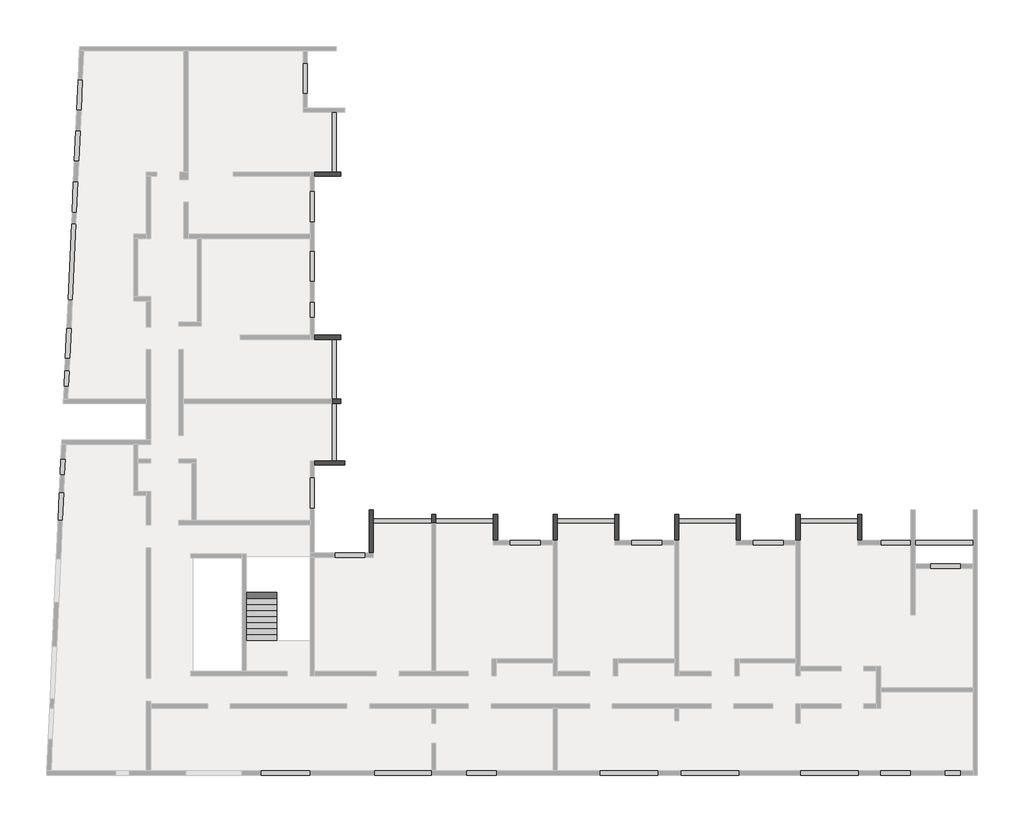
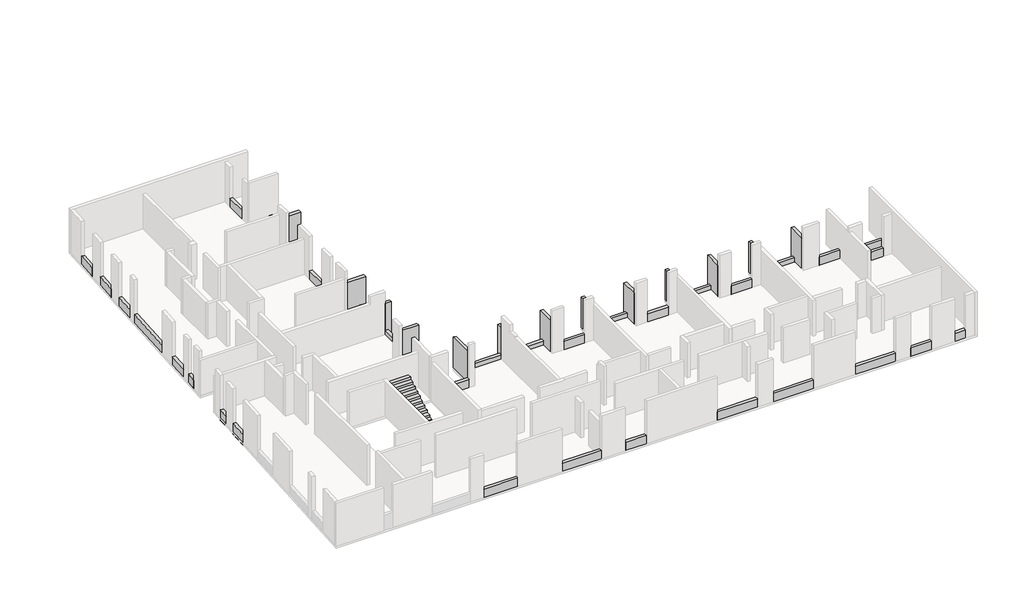
# One storey, part 4 of 4: 49 beams, 1 stair flight.
"""IFC4 building model written with IfcOpenShell, lengths in millimetres."""

from ifc_helpers import new_model, si_unit, frame, origin, place, context, project, spatial, polyline, outline, extrude, faceted_brep, element, save

model = new_model("IFC4")

# Units and contexts
model_context = context("Model", 3, world=origin())
ifc_project = project(units=[si_unit("LENGTHUNIT", "METRE", prefix="MILLI")], contexts=[model_context])

# Site, building, storey
site = spatial("IfcSite", under=ifc_project)
building = spatial("IfcBuilding", under=site)
storey = spatial("IfcBuildingStorey", under=building, Elevation=19880.0)

# Beams
placement = place(None, origin())
element("IfcBeam", 1, ObjectType="VI. 20/238", at=placement, inside=storey, context=model_context, shape_type="Brep", body=[
    faceted_brep([(-3415.6912908, -5419.0672499, 22110.0), (-3615.6912908, -5419.0672499, 22110.0), (-3615.6912908, -5419.0672499, 19880.0), (-3415.6912908, -5419.0672499, 19880.0), (-3615.6912908, -4199.0672499, 22110.0), (-3415.6912908, -4199.0672499, 22110.0), (-3415.6912908, -4199.0672499, 19880.0), (-3615.6912908, -4199.0672499, 19880.0), (-3615.6912908, -4399.0672499, 19880.0), (-3615.6912908, -4399.0672499, 20180.0), (-3615.6912908, -4599.0672499, 20180.0), (-3615.6912908, -4599.0672499, 19880.0), (-3585.6912908, -4599.0672499, 20180.0), (-3585.6912908, -4399.0672499, 20180.0), (-3585.6912908, -4399.0672499, 19880.0), (-3585.6912908, -4599.0672499, 19880.0)], [[[0, 1, 2, 3]], [[4, 5, 6, 7]], [[1, 4, 7, 8, 9, 10, 11, 2]], [[5, 0, 3, 6]], [[1, 0, 5, 4]], [[12, 13, 14, 15]], [[10, 12, 15, 11]], [[13, 12, 10, 9]], [[13, 9, 8, 14]], [[3, 2, 11, 15, 14, 8, 7, 6]]]),
])
element("IfcBeam", 2, ObjectType="VI. 20/238", at=placement, inside=storey, context=model_context, shape_type="Brep", body=[
    faceted_brep([(-9105.6912908, -5419.0672499, 22110.0), (-9305.6912908, -5419.0672499, 22110.0), (-9305.6912908, -5419.0672499, 19880.0), (-9105.6912908, -5419.0672499, 19880.0), (-9305.6912908, -4199.0672499, 22110.0), (-9105.6912908, -4199.0672499, 22110.0), (-9105.6912908, -4199.0672499, 19880.0), (-9305.6912908, -4199.0672499, 19880.0), (-9305.6912908, -4399.0672499, 19880.0), (-9305.6912908, -4599.0672499, 19880.0)], [[[0, 1, 2, 3]], [[4, 5, 6, 7]], [[1, 4, 7, 8, 9, 2]], [[5, 0, 3, 6]], [[1, 0, 5, 4]], [[3, 2, 9, 8, 7, 6]]]),
])
element("IfcBeam", 3, ObjectType="VI. 20/238", at=placement, inside=storey, context=model_context, shape_type="Brep", body=[
    faceted_brep([(-20485.6912908, -5419.0672499, 22110.0), (-20685.6912908, -5419.0672499, 22110.0), (-20685.6912908, -5419.0672499, 19880.0), (-20485.6912908, -5419.0672499, 19880.0), (-20685.6912908, -4199.0672499, 22110.0), (-20485.6912908, -4199.0672499, 22110.0), (-20485.6912908, -4199.0672499, 19880.0), (-20685.6912908, -4199.0672499, 19880.0), (-20685.6912908, -4399.0672499, 19880.0), (-20685.6912908, -4399.0672499, 20180.0), (-20685.6912908, -4599.0672499, 20180.0), (-20685.6912908, -4599.0672499, 19880.0), (-20655.6912908, -4599.0672499, 20180.0), (-20655.6912908, -4399.0672499, 20180.0), (-20655.6912908, -4399.0672499, 19880.0), (-20655.6912908, -4599.0672499, 19880.0)], [[[0, 1, 2, 3]], [[4, 5, 6, 7]], [[1, 4, 7, 8, 9, 10, 11, 2]], [[5, 0, 3, 6]], [[1, 0, 5, 4]], [[12, 13, 14, 15]], [[10, 12, 15, 11]], [[13, 12, 10, 9]], [[13, 9, 8, 14]], [[3, 2, 11, 15, 14, 8, 7, 6]]]),
])
element("IfcBeam", 4, ObjectType="VI. 20/238", at=placement, inside=storey, context=model_context, shape_type="Brep", body=[
    faceted_brep([(-26495.6912908, -3999.0672499, 22110.0), (-26295.6912908, -3999.0672499, 22110.0), (-26295.6912908, -3999.0672499, 19880.0), (-26495.6912908, -3999.0672499, 19880.0), (-26295.6912908, -6004.0672499, 22110.0), (-26495.6912908, -6004.0672499, 22110.0), (-26495.6912908, -6004.0672499, 19880.0), (-26295.6912908, -6004.0672499, 19880.0), (-26295.6912908, -4599.0672499, 19880.0), (-26295.6912908, -4399.0672499, 19880.0)], [[[0, 1, 2, 3]], [[4, 5, 6, 7]], [[1, 4, 7, 8, 9, 2]], [[5, 0, 3, 6]], [[1, 0, 5, 4]], [[3, 2, 9, 8, 7, 6]]]),
])
element("IfcBeam", 5, ObjectType="VI. 20/238", at=placement, inside=storey, context=model_context, shape_type="Brep", body=[
    faceted_brep([(-14995.6912908, -4199.0672499, 22110.0), (-14795.6912908, -4199.0672499, 22110.0), (-14795.6912908, -4199.0672499, 19880.0), (-14995.6912908, -4199.0672499, 19880.0), (-14795.6912908, -5419.0672499, 22110.0), (-14995.6912908, -5419.0672499, 22110.0), (-14995.6912908, -5419.0672499, 19880.0), (-14795.6912908, -5419.0672499, 19880.0), (-14995.6912908, -4399.0672499, 19880.0), (-14995.6912908, -4399.0672499, 20180.0), (-14995.6912908, -4599.0672499, 20180.0), (-14995.6912908, -4599.0672499, 19880.0), (-14965.6912908, -4599.0672499, 20180.0), (-14965.6912908, -4399.0672499, 20180.0), (-14965.6912908, -4399.0672499, 19880.0), (-14965.6912908, -4599.0672499, 19880.0)], [[[0, 1, 2, 3]], [[4, 5, 6, 7]], [[1, 4, 7, 2]], [[5, 0, 3, 8, 9, 10, 11, 6]], [[1, 0, 5, 4]], [[12, 13, 14, 15]], [[10, 12, 15, 11]], [[13, 12, 10, 9]], [[13, 9, 8, 14]], [[3, 2, 7, 6, 11, 15, 14, 8]]]),
])
element("IfcBeam", 6, ObjectType="VI. 20/238", at=placement, inside=storey, context=model_context, shape_type="Brep", body=[
    faceted_brep([(-27835.6912908, 4200.9327501, 22110.0), (-27835.6912908, 4000.9327501, 22110.0), (-27835.6912908, 4000.9327501, 19880.0), (-27835.6912908, 4200.9327501, 19880.0), (-29065.6912908, 4000.9327501, 22110.0), (-29065.6912908, 4200.9327501, 22110.0), (-29065.6912908, 4200.9327501, 19880.0), (-29065.6912908, 4000.9327501, 19880.0), (-28235.6912908, 4000.9327501, 19880.0), (-28035.6912908, 4000.9327501, 19880.0)], [[[0, 1, 2, 3]], [[4, 5, 6, 7]], [[1, 4, 7, 8, 9, 2]], [[5, 0, 3, 6]], [[1, 0, 5, 4]], [[3, 2, 9, 8, 7, 6]]]),
])
element("IfcBeam", 7, ObjectType="VI. 20/238", at=placement, inside=storey, context=model_context, shape_type="Brep", body=[
    faceted_brep([(-27635.6912908, -1689.5482142, 22110.0), (-27635.6912908, -1889.5482142, 22110.0), (-27635.6912908, -1889.5482142, 19880.0), (-27635.6912908, -1689.5482142, 19880.0), (-29065.6912908, -1889.5482142, 22110.0), (-29065.6912908, -1689.5482142, 22110.0), (-29065.6912908, -1689.5482142, 19880.0), (-29065.6912908, -1889.5482142, 19880.0), (-28035.6912908, -1689.5482142, 19880.0), (-28235.6912908, -1689.5482142, 19880.0)], [[[0, 1, 2, 3]], [[4, 5, 6, 7]], [[5, 0, 3, 8, 9, 6]], [[1, 4, 7, 2]], [[1, 0, 5, 4]], [[3, 2, 7, 6, 9, 8]]]),
])
element("IfcBeam", 8, ObjectType="VI. 20/238", at=placement, inside=storey, context=model_context, shape_type="Brep", body=[
    faceted_brep([(-27835.6912908, 11850.9327501, 22110.0), (-27835.6912908, 11650.9327501, 22110.0), (-27835.6912908, 11650.9327501, 19880.0), (-27835.6912908, 11850.9327501, 19880.0), (-29065.6912908, 11650.9327501, 22110.0), (-29065.6912908, 11850.9327501, 22110.0), (-29065.6912908, 11850.9327501, 19880.0), (-29065.6912908, 11650.9327501, 19880.0), (-28035.6912908, 11850.9327501, 19880.0), (-28235.6912908, 11850.9327501, 19880.0)], [[[0, 1, 2, 3]], [[4, 5, 6, 7]], [[1, 4, 7, 2]], [[5, 0, 3, 8, 9, 6]], [[1, 0, 5, 4]], [[3, 2, 7, 6, 9, 8]]]),
])
element("IfcBeam", 9, ObjectType="VI. 20/238", at=placement, inside=storey, context=model_context, shape_type="Brep", body=[
    faceted_brep([(-27835.6912908, 1200.9327501, 22110.0), (-27835.6912908, 1000.9327501, 22110.0), (-27835.6912908, 1000.9327501, 19880.0), (-27835.6912908, 1200.9327501, 19880.0), (-28235.6912908, 1000.9327501, 22110.0), (-28235.6912908, 1200.9327501, 22110.0), (-28235.6912908, 1200.9327501, 19880.0), (-28235.6912908, 1000.9327501, 19880.0), (-28235.6912908, 1000.9327501, 20180.0), (-28035.6912908, 1200.9327501, 19880.0), (-28035.6912908, 1000.9327501, 19880.0)], [[[0, 1, 2, 3]], [[4, 5, 6, 7, 8]], [[5, 0, 3, 9, 6]], [[1, 4, 8, 7, 10, 2]], [[1, 0, 5, 4]], [[3, 2, 10, 7, 6, 9]]]),
])
element("IfcBeam", 10, ObjectType="VI. 20/238", at=placement, inside=storey, context=model_context, shape_type="Brep", body=[
    faceted_brep([(-23375.6912908, -4599.0672499, 22110.0), (-23575.6912908, -4599.0672499, 22110.0), (-23575.6912908, -4599.0672499, 19880.0), (-23375.6912908, -4599.0672499, 19880.0), (-23575.6912908, -4199.0672499, 22110.0), (-23375.6912908, -4199.0672499, 22110.0), (-23375.6912908, -4199.0672499, 19880.0), (-23575.6912908, -4199.0672499, 19880.0), (-23575.6912908, -4399.0672499, 19880.0), (-23375.6912908, -4399.0672499, 19880.0)], [[[0, 1, 2, 3]], [[4, 5, 6, 7]], [[1, 4, 7, 8, 2]], [[5, 0, 3, 9, 6]], [[1, 0, 5, 4]], [[3, 2, 8, 7, 6, 9]]]),
])
element("IfcBeam", 11, ObjectType="VI. 20/238", at=placement, inside=storey, context=model_context, shape_type="Brep", body=[
    faceted_brep([(-6305.6912908, -5419.0672499, 22110.0), (-6505.6912908, -5419.0672499, 22110.0), (-6505.6912908, -5419.0672499, 19880.0), (-6305.6912908, -5419.0672499, 19880.0), (-6505.6912908, -4199.0672499, 22110.0), (-6305.6912908, -4199.0672499, 22110.0), (-6305.6912908, -4199.0672499, 19880.0), (-6505.6912908, -4199.0672499, 19880.0), (-6305.6912908, -4399.0672499, 19880.0)], [[[0, 1, 2, 3]], [[4, 5, 6, 7]], [[1, 4, 7, 2]], [[5, 0, 3, 8, 6]], [[1, 0, 5, 4]], [[3, 2, 7, 6, 8]]]),
])
element("IfcBeam", 12, ObjectType="VI. 20/238", at=placement, inside=storey, context=model_context, shape_type="Brep", body=[
    faceted_brep([(-11995.6912908, -5419.0672499, 22110.0), (-12195.6912908, -5419.0672499, 22110.0), (-12195.6912908, -5419.0672499, 19880.0), (-11995.6912908, -5419.0672499, 19880.0), (-12195.6912908, -4199.0672499, 22110.0), (-11995.6912908, -4199.0672499, 22110.0), (-11995.6912908, -4199.0672499, 19880.0), (-12195.6912908, -4199.0672499, 19880.0), (-11995.6912908, -4399.0672499, 19880.0)], [[[0, 1, 2, 3]], [[4, 5, 6, 7]], [[1, 4, 7, 2]], [[5, 0, 3, 8, 6]], [[1, 0, 5, 4]], [[3, 2, 7, 6, 8]]]),
])
element("IfcBeam", 13, ObjectType="VI. 20/238", at=placement, inside=storey, context=model_context, shape_type="Brep", body=[
    faceted_brep([(-17885.6912908, -4199.0672499, 22110.0), (-17685.6912908, -4199.0672499, 22110.0), (-17685.6912908, -4199.0672499, 19880.0), (-17885.6912908, -4199.0672499, 19880.0), (-17685.6912908, -5419.0672499, 22110.0), (-17885.6912908, -5419.0672499, 22110.0), (-17885.6912908, -5419.0672499, 19880.0), (-17685.6912908, -5419.0672499, 19880.0), (-17685.6912908, -4399.0672499, 19880.0)], [[[0, 1, 2, 3]], [[4, 5, 6, 7]], [[1, 4, 7, 8, 2]], [[5, 0, 3, 6]], [[1, 0, 5, 4]], [[3, 2, 8, 7, 6]]]),
])
element("IfcBeam", 14, ObjectType="VI. 20/45", at=placement, inside=storey, context=model_context, shape_type="Brep", body=[
    faceted_brep([(-3585.6912908, -4399.0672499, 20180.0), (-3585.6912908, -4599.0672499, 20180.0), (-3585.6912908, -4599.0672499, 19880.0), (-3585.6912908, -4399.0672499, 19880.0), (-6305.6912908, -4599.0672499, 20180.0), (-6305.6912908, -4399.0672499, 20180.0), (-6305.6912908, -4399.0672499, 19880.0), (-6305.6912908, -4599.0672499, 19880.0), (-3615.6912908, -4599.0672499, 20180.0), (-3615.6912908, -4599.0672499, 19880.0), (-3615.6912908, -4399.0672499, 20180.0), (-3615.6912908, -4399.0672499, 19880.0)], [[[0, 1, 2, 3]], [[4, 5, 6, 7]], [[1, 8, 4, 7, 9, 2]], [[5, 10, 0, 3, 11, 6]], [[1, 0, 10, 5, 4, 8]], [[3, 2, 9, 7, 6, 11]]]),
])
element("IfcBeam", 15, ObjectType="VI. 20/45", at=placement, inside=storey, context=model_context, shape_type="SweptSolid", body=[
    extrude(outline(polyline([(-9305.6912908, -4399.0672499), (-9305.6912908, -4599.0672499), (-11995.6912908, -4599.0672499), (-11995.6912908, -4399.0672499), (-9305.6912908, -4399.0672499)])), frame((0.0, 0.0, 19880.0), z_axis=(0.0, 0.0, 1.0), x_axis=(1.0, 0.0, 0.0)), (0.0, 0.0, 1.0), 300.0),
])
element("IfcBeam", 16, ObjectType="VI. 20/45", at=placement, inside=storey, context=model_context, shape_type="Brep", body=[
    faceted_brep([(-14965.6912908, -4399.0672499, 20180.0), (-14965.6912908, -4599.0672499, 20180.0), (-14965.6912908, -4599.0672499, 19880.0), (-14965.6912908, -4399.0672499, 19880.0), (-17685.6912908, -4599.0672499, 20180.0), (-17685.6912908, -4399.0672499, 20180.0), (-17685.6912908, -4399.0672499, 19880.0), (-17685.6912908, -4599.0672499, 19880.0), (-14995.6912908, -4599.0672499, 20180.0), (-14995.6912908, -4599.0672499, 19880.0), (-14995.6912908, -4399.0672499, 20180.0), (-14995.6912908, -4399.0672499, 19880.0)], [[[0, 1, 2, 3]], [[4, 5, 6, 7]], [[1, 8, 4, 7, 9, 2]], [[5, 10, 0, 3, 11, 6]], [[1, 0, 10, 5, 4, 8]], [[3, 2, 9, 7, 6, 11]]]),
])
element("IfcBeam", 17, ObjectType="VI. 20/45", at=placement, inside=storey, context=model_context, shape_type="Brep", body=[
    faceted_brep([(-20655.6912908, -4399.0672499, 20180.0), (-20655.6912908, -4599.0672499, 20180.0), (-20655.6912908, -4599.0672499, 19880.0), (-20655.6912908, -4399.0672499, 19880.0), (-23375.6912908, -4599.0672499, 20180.0), (-23375.6912908, -4399.0672499, 20180.0), (-23375.6912908, -4399.0672499, 19880.0), (-23375.6912908, -4599.0672499, 19880.0), (-20685.6912908, -4599.0672499, 20180.0), (-20685.6912908, -4599.0672499, 19880.0), (-20685.6912908, -4399.0672499, 20180.0), (-20685.6912908, -4399.0672499, 19880.0)], [[[0, 1, 2, 3]], [[4, 5, 6, 7]], [[1, 8, 4, 7, 9, 2]], [[5, 10, 0, 3, 11, 6]], [[1, 0, 10, 5, 4, 8]], [[3, 2, 9, 7, 6, 11]]]),
])
element("IfcBeam", 18, ObjectType="VI. 20/45", at=placement, inside=storey, context=model_context, shape_type="SweptSolid", body=[
    extrude(outline(polyline([(-23575.6912908, -4399.0672499), (-23575.6912908, -4599.0672499), (-26295.6912908, -4599.0672499), (-26295.6912908, -4399.0672499), (-23575.6912908, -4399.0672499)])), frame((0.0, 0.0, 19880.0), z_axis=(0.0, 0.0, 1.0), x_axis=(1.0, 0.0, 0.0)), (0.0, 0.0, 1.0), 300.0),
])
element("IfcBeam", 19, ObjectType="VI. 20/45", at=placement, inside=storey, context=model_context, shape_type="SweptSolid", body=[
    extrude(outline(polyline([(-28235.6912908, 14650.9327501), (-28035.6912908, 14650.9327501), (-28035.6912908, 11850.9327501), (-28235.6912908, 11850.9327501), (-28235.6912908, 14650.9327501)])), frame((0.0, 0.0, 19880.0), z_axis=(0.0, 0.0, 1.0), x_axis=(1.0, 0.0, 0.0)), (0.0, 0.0, 1.0), 300.0),
])
element("IfcBeam", 20, ObjectType="VI. 20/45", at=placement, inside=storey, context=model_context, shape_type="SweptSolid", body=[
    extrude(outline(polyline([(-28235.6912908, 4000.9327501), (-28035.6912908, 4000.9327501), (-28035.6912908, 1200.9327501), (-28235.6912908, 1200.9327501), (-28235.6912908, 4000.9327501)])), frame((0.0, 0.0, 19880.0), z_axis=(0.0, 0.0, 1.0), x_axis=(1.0, 0.0, 0.0)), (0.0, 0.0, 1.0), 300.0),
])
element("IfcBeam", 21, ObjectType="VI. 20/45", at=placement, inside=storey, context=model_context, shape_type="SweptSolid", body=[
    extrude(outline(polyline([(-28235.6912908, 1000.9327501), (-28035.6912908, 1000.9327501), (-28035.6912908, -1689.5482142), (-28235.6912908, -1689.5482142), (-28235.6912908, 1000.9327501)])), frame((0.0, 0.0, 19880.0), z_axis=(0.0, 0.0, 1.0), x_axis=(1.0, 0.0, 0.0)), (0.0, 0.0, 1.0), 300.0),
])
element("IfcBeam", 22, ObjectType="VI. 20/47", at=placement, inside=storey, context=model_context, shape_type="Brep", body=[
    faceted_brep([(1794.3087092, -5619.0672499, 20200.0), (1794.3087092, -5619.0672499, 19730.0), (1794.3087092, -5419.0672499, 19730.0), (1794.3087092, -5419.0672499, 20200.0), (-925.6912908, -5619.0672499, 20200.0), (-925.6912908, -5419.0672499, 20200.0), (-925.6912908, -5419.0672499, 19880.0), (-925.6912908, -5419.0672499, 19730.0), (-925.6912908, -5619.0672499, 19730.0), (-925.6912908, -5619.0672499, 19880.0)], [[[0, 1, 2, 3]], [[4, 5, 6, 7, 8, 9]], [[1, 0, 4, 9, 8]], [[2, 1, 8, 7]], [[3, 2, 7, 6, 5]], [[0, 3, 5, 4]]]),
])
element("IfcBeam", 23, ObjectType="VI. 20/75", at=placement, inside=storey, context=model_context, shape_type="SweptSolid", body=[
    extrude(outline(polyline([(1189.3087092, -6519.0672499), (1189.3087092, -6719.0672499), (-200.6912908, -6719.0672499), (-200.6912908, -6519.0672499), (1189.3087092, -6519.0672499)])), frame((0.0, 0.0, 19880.0), z_axis=(0.0, 0.0, 1.0), x_axis=(1.0, 0.0, 0.0)), (0.0, 0.0, 1.0), 600.0),
])
element("IfcBeam", 24, ObjectType="VI. 20/75", at=placement, inside=storey, context=model_context, shape_type="SweptSolid", body=[
    extrude(outline(polyline([(-1125.6912908, -5419.0672499), (-1125.6912908, -5619.0672499), (-2545.6912908, -5619.0672499), (-2545.6912908, -5419.0672499), (-1125.6912908, -5419.0672499)])), frame((0.0, 0.0, 19880.0), z_axis=(0.0, 0.0, 1.0), x_axis=(1.0, 0.0, 0.0)), (0.0, 0.0, 1.0), 600.0),
])
element("IfcBeam", 25, ObjectType="VI. 20/75", at=placement, inside=storey, context=model_context, shape_type="SweptSolid", body=[
    extrude(outline(polyline([(-7085.6912908, -5419.0672499), (-7085.6912908, -5619.0672499), (-8525.6912908, -5619.0672499), (-8525.6912908, -5419.0672499), (-7085.6912908, -5419.0672499)])), frame((0.0, 0.0, 19880.0), z_axis=(0.0, 0.0, 1.0), x_axis=(1.0, 0.0, 0.0)), (0.0, 0.0, 1.0), 600.0),
])
element("IfcBeam", 26, ObjectType="VI. 20/75", at=placement, inside=storey, context=model_context, shape_type="SweptSolid", body=[
    extrude(outline(polyline([(-29265.6912908, 8150.9327501), (-29065.6912908, 8150.9327501), (-29065.6912908, 6710.9327501), (-29265.6912908, 6710.9327501), (-29265.6912908, 8150.9327501)])), frame((0.0, 0.0, 19880.0), z_axis=(0.0, 0.0, 1.0), x_axis=(1.0, 0.0, 0.0)), (0.0, 0.0, 1.0), 600.0),
])
element("IfcBeam", 27, ObjectType="VI. 20/75", at=placement, inside=storey, context=model_context, shape_type="SweptSolid", body=[
    extrude(outline(polyline([(-29065.6912908, -3909.0672499), (-29265.6912908, -3909.0672499), (-29265.6912908, -2469.0672499), (-29065.6912908, -2469.0672499), (-29065.6912908, -3909.0672499)])), frame((0.0, 0.0, 19880.0), z_axis=(0.0, 0.0, 1.0), x_axis=(1.0, 0.0, 0.0)), (0.0, 0.0, 1.0), 600.0),
])
element("IfcBeam", 28, ObjectType="VI. 20/75", at=placement, inside=storey, context=model_context, shape_type="SweptSolid", body=[
    extrude(outline(polyline([(-12775.6912908, -5419.0672499), (-12775.6912908, -5619.0672499), (-14215.6912908, -5619.0672499), (-14215.6912908, -5419.0672499), (-12775.6912908, -5419.0672499)])), frame((0.0, 0.0, 19880.0), z_axis=(0.0, 0.0, 1.0), x_axis=(1.0, 0.0, 0.0)), (0.0, 0.0, 1.0), 600.0),
])
element("IfcBeam", 29, ObjectType="VI. 20/75", at=placement, inside=storey, context=model_context, shape_type="SweptSolid", body=[
    extrude(outline(polyline([(-18465.6912908, -5419.0672499), (-18465.6912908, -5619.0672499), (-19905.6912908, -5619.0672499), (-19905.6912908, -5419.0672499), (-18465.6912908, -5419.0672499)])), frame((0.0, 0.0, 19880.0), z_axis=(0.0, 0.0, 1.0), x_axis=(1.0, 0.0, 0.0)), (0.0, 0.0, 1.0), 600.0),
])
element("IfcBeam", 30, ObjectType="VI. 20/75", at=placement, inside=storey, context=model_context, shape_type="SweptSolid", body=[
    extrude(outline(polyline([(-26675.6912908, -6004.0672499), (-26675.6912908, -6204.0672499), (-28115.6912908, -6204.0672499), (-28115.6912908, -6004.0672499), (-26675.6912908, -6004.0672499)])), frame((0.0, 0.0, 19880.0), z_axis=(0.0, 0.0, 1.0), x_axis=(1.0, 0.0, 0.0)), (0.0, 0.0, 1.0), 600.0),
])
element("IfcBeam", 31, ObjectType="VI. 20/75", at=placement, inside=storey, context=model_context, shape_type="SweptSolid", body=[
    extrude(outline(polyline([(-29265.6912908, 5760.9327501), (-29065.6912908, 5760.9327501), (-29065.6912908, 5020.9327501), (-29265.6912908, 5020.9327501), (-29265.6912908, 5760.9327501)])), frame((0.0, 0.0, 19880.0), z_axis=(0.0, 0.0, 1.0), x_axis=(1.0, 0.0, 0.0)), (0.0, 0.0, 1.0), 600.0),
])
element("IfcBeam", 32, ObjectType="VI. 20/75", at=placement, inside=storey, context=model_context, shape_type="SweptSolid", body=[
    extrude(outline(polyline([(-29265.6912908, 10925.9327501), (-29065.6912908, 10925.9327501), (-29065.6912908, 9535.9327501), (-29265.6912908, 9535.9327501), (-29265.6912908, 10925.9327501)])), frame((0.0, 0.0, 19880.0), z_axis=(0.0, 0.0, 1.0), x_axis=(1.0, 0.0, 0.0)), (0.0, 0.0, 1.0), 600.0),
])
element("IfcBeam", 33, ObjectType="VI. 20/75", at=placement, inside=storey, context=model_context, shape_type="SweptSolid", body=[
    extrude(outline(polyline([(-29595.6912908, 16950.9327501), (-29395.6912908, 16950.9327501), (-29395.6912908, 15510.9327501), (-29595.6912908, 15510.9327501), (-29595.6912908, 16950.9327501)])), frame((0.0, 0.0, 19880.0), z_axis=(0.0, 0.0, 1.0), x_axis=(1.0, 0.0, 0.0)), (0.0, 0.0, 1.0), 600.0),
])
element("IfcBeam", 34, ObjectType="VI. 20/75", at=placement, inside=storey, context=model_context, shape_type="Brep", body=[
    faceted_brep([(-40807.7955758, -3171.182161, 19730.0), (-41007.5900954, -3162.1185002, 19730.0), (-41007.5900954, -3162.1185002, 19880.0), (-41007.5900954, -3162.1185002, 20480.0), (-40807.7955758, -3171.182161, 20480.0), (-40807.7955758, -3171.182161, 19880.0), (-40867.389146, -4484.8311272, 20480.0), (-41067.1836655, -4475.7674664, 20480.0), (-41067.1836655, -4475.7674664, 19730.0), (-40867.389146, -4484.8311272, 19730.0)], [[[0, 1, 2, 3, 4, 5]], [[6, 7, 8, 9]], [[6, 9, 0, 5, 4]], [[1, 0, 9, 8]], [[8, 7, 3, 2, 1]], [[4, 3, 7, 6]]]),
])
element("IfcBeam", 35, ObjectType="VI. 20/75", at=placement, inside=storey, context=model_context, shape_type="Brep", body=[
    faceted_brep([(-40970.0334959, -2332.9686312, 19730.0), (-40770.2389763, -2342.0322921, 19730.0), (-40770.2389763, -2342.0322921, 19880.0), (-40770.2389763, -2342.0322921, 20480.0), (-40970.0334959, -2332.9686312, 20480.0), (-40970.0334959, -2332.9686312, 19880.0), (-40936.4979507, -1593.7289088, 20480.0), (-40736.7034311, -1602.7925697, 20480.0), (-40736.7034311, -1602.7925697, 19880.0), (-40736.7034311, -1602.7925697, 19730.0), (-40936.4979507, -1593.7289088, 19730.0), (-40936.4979507, -1593.7289088, 19880.0)], [[[0, 1, 2, 3, 4, 5]], [[6, 7, 8, 9, 10, 11]], [[4, 6, 11, 10, 0, 5]], [[1, 0, 10, 9]], [[1, 9, 8, 7, 3, 2]], [[4, 3, 7, 6]]]),
])
element("IfcBeam", 36, ObjectType="VI. 20/75", at=placement, inside=storey, context=model_context, shape_type="SweptSolid", body=[
    extrude(outline(polyline([(-40748.9268523, 2540.9886267), (-40549.1323327, 2531.9249658), (-40582.6678779, 1792.6852434), (-40782.4623975, 1801.7489043), (-40748.9268523, 2540.9886267)])), frame((0.0, 0.0, 19880.0), z_axis=(0.0, 0.0, 1.0), x_axis=(1.0, 0.0, 0.0)), (0.0, 0.0, 1.0), 600.0),
])
element("IfcBeam", 37, ObjectType="VI. 20/75", at=placement, inside=storey, context=model_context, shape_type="SweptSolid", body=[
    extrude(outline(polyline([(-40658.0636522, 4543.9286854), (-40458.2691326, 4534.8650246), (-40523.5274908, 3096.3444836), (-40723.3220104, 3105.4081445), (-40658.0636522, 4543.9286854)])), frame((0.0, 0.0, 19880.0), z_axis=(0.0, 0.0, 1.0), x_axis=(1.0, 0.0, 0.0)), (0.0, 0.0, 1.0), 600.0),
])
element("IfcBeam", 38, ObjectType="VI. 20/75", at=placement, inside=storey, context=model_context, shape_type="SweptSolid", body=[
    extrude(outline(polyline([(-40436.6837357, 9423.909826), (-40236.8892162, 9414.8461652), (-40398.2223794, 5858.5037168), (-40598.016899, 5867.5673776), (-40436.6837357, 9423.909826)])), frame((0.0, 0.0, 19880.0), z_axis=(0.0, 0.0, 1.0), x_axis=(1.0, 0.0, 0.0)), (0.0, 0.0, 1.0), 600.0),
])
element("IfcBeam", 39, ObjectType="VI. 20/75", at=placement, inside=storey, context=model_context, shape_type="SweptSolid", body=[
    extrude(outline(polyline([(-40347.1800848, 11396.8807068), (-40147.3855652, 11387.817046), (-40212.6439234, 9949.296505), (-40412.4384429, 9958.3601659), (-40347.1800848, 11396.8807068)])), frame((0.0, 0.0, 19880.0), z_axis=(0.0, 0.0, 1.0), x_axis=(1.0, 0.0, 0.0)), (0.0, 0.0, 1.0), 600.0),
])
element("IfcBeam", 40, ObjectType="VI. 20/75", at=placement, inside=storey, context=model_context, shape_type="SweptSolid", body=[
    extrude(outline(polyline([(-40238.4161545, 13794.4149417), (-40038.6216349, 13785.3512809), (-40103.8799931, 12346.8307399), (-40303.6745126, 12355.8944008), (-40238.4161545, 13794.4149417)])), frame((0.0, 0.0, 19880.0), z_axis=(0.0, 0.0, 1.0), x_axis=(1.0, 0.0, 0.0)), (0.0, 0.0, 1.0), 600.0),
])
element("IfcBeam", 41, ObjectType="VI. 20/75", at=placement, inside=storey, context=model_context, shape_type="SweptSolid", body=[
    extrude(outline(polyline([(-40130.7851818, 16166.9748617), (-39930.9906622, 16157.9112008), (-39993.9831052, 14769.3392898), (-40193.7776247, 14778.4029506), (-40130.7851818, 16166.9748617)])), frame((0.0, 0.0, 19880.0), z_axis=(0.0, 0.0, 1.0), x_axis=(1.0, 0.0, 0.0)), (0.0, 0.0, 1.0), 600.0),
])
element("IfcBeam", 42, ObjectType="VI. 20/75", at=placement, inside=storey, context=model_context, shape_type="SweptSolid", body=[
    extrude(outline(polyline([(-29265.6912908, -16219.0672499), (-29265.6912908, -16419.0672499), (-31585.6912908, -16419.0672499), (-31585.6912908, -16219.0672499), (-29265.6912908, -16219.0672499)])), frame((0.0, 0.0, 19880.0), z_axis=(0.0, 0.0, 1.0), x_axis=(1.0, 0.0, 0.0)), (0.0, 0.0, 1.0), 600.0),
])
element("IfcBeam", 43, ObjectType="VI. 20/75", at=placement, inside=storey, context=model_context, shape_type="SweptSolid", body=[
    extrude(outline(polyline([(-23600.6912908, -16219.0672499), (-23600.6912908, -16419.0672499), (-26230.6912908, -16419.0672499), (-26230.6912908, -16219.0672499), (-23600.6912908, -16219.0672499)])), frame((0.0, 0.0, 19880.0), z_axis=(0.0, 0.0, 1.0), x_axis=(1.0, 0.0, 0.0)), (0.0, 0.0, 1.0), 600.0),
])
element("IfcBeam", 44, ObjectType="VI. 20/75", at=placement, inside=storey, context=model_context, shape_type="SweptSolid", body=[
    extrude(outline(polyline([(-20540.6912908, -16219.0672499), (-20540.6912908, -16419.0672499), (-21930.6912908, -16419.0672499), (-21930.6912908, -16219.0672499), (-20540.6912908, -16219.0672499)])), frame((0.0, 0.0, 19880.0), z_axis=(0.0, 0.0, 1.0), x_axis=(1.0, 0.0, 0.0)), (0.0, 0.0, 1.0), 600.0),
])
element("IfcBeam", 45, ObjectType="VI. 20/75", at=placement, inside=storey, context=model_context, shape_type="SweptSolid", body=[
    extrude(outline(polyline([(-15705.6912908, -16419.0672499), (-15705.6912908, -16219.0672499), (-12965.6912908, -16219.0672499), (-12965.6912908, -16419.0672499), (-15705.6912908, -16419.0672499)])), frame((0.0, 0.0, 19880.0), z_axis=(0.0, 0.0, 1.0), x_axis=(1.0, 0.0, 0.0)), (0.0, 0.0, 1.0), 600.0),
])
element("IfcBeam", 46, ObjectType="VI. 20/75", at=placement, inside=storey, context=model_context, shape_type="SweptSolid", body=[
    extrude(outline(polyline([(-11895.6912908, -16419.0672499), (-11895.6912908, -16219.0672499), (-9155.6912908, -16219.0672499), (-9155.6912908, -16419.0672499), (-11895.6912908, -16419.0672499)])), frame((0.0, 0.0, 19880.0), z_axis=(0.0, 0.0, 1.0), x_axis=(1.0, 0.0, 0.0)), (0.0, 0.0, 1.0), 600.0),
])
element("IfcBeam", 47, ObjectType="VI. 20/75", at=placement, inside=storey, context=model_context, shape_type="SweptSolid", body=[
    extrude(outline(polyline([(-2555.6912908, -16419.0672499), (-2555.6912908, -16219.0672499), (-1125.6912908, -16219.0672499), (-1125.6912908, -16419.0672499), (-2555.6912908, -16419.0672499)])), frame((0.0, 0.0, 19880.0), z_axis=(0.0, 0.0, 1.0), x_axis=(1.0, 0.0, 0.0)), (0.0, 0.0, 1.0), 600.0),
])
element("IfcBeam", 48, ObjectType="VI. 20/75", at=placement, inside=storey, context=model_context, shape_type="SweptSolid", body=[
    extrude(outline(polyline([(-6305.6912908, -16419.0672499), (-6305.6912908, -16219.0672499), (-3570.6912908, -16219.0672499), (-3570.6912908, -16419.0672499), (-6305.6912908, -16419.0672499)])), frame((0.0, 0.0, 19880.0), z_axis=(0.0, 0.0, 1.0), x_axis=(1.0, 0.0, 0.0)), (0.0, 0.0, 1.0), 600.0),
])
element("IfcBeam", 49, ObjectType="VI. 20/75", at=placement, inside=storey, context=model_context, shape_type="SweptSolid", body=[
    extrude(outline(polyline([(489.3087092, -16419.0672499), (489.3087092, -16219.0672499), (1179.3087092, -16219.0672499), (1179.3087092, -16419.0672499), (489.3087092, -16419.0672499)])), frame((0.0, 0.0, 19880.0), z_axis=(0.0, 0.0, 1.0), x_axis=(1.0, 0.0, 0.0)), (0.0, 0.0, 1.0), 600.0),
])

# Stair flight
element("IfcStairFlight", 50, at=placement, inside=storey, context=model_context, shape_type="Brep", body=[
    faceted_brep([(-32245.6912908, -9824.0672499, 20048.6666667), (-32245.6912908, -10104.0672499, 20048.6666667), (-30815.6912908, -10104.0672499, 20048.6666667), (-30815.6912908, -9824.0672499, 20048.6666667), (-30815.6912908, -10104.0672499, 19880.0), (-30815.6912908, -9852.1266309, 19880.0), (-30815.6912908, -9824.0672499, 19896.9024366), (-32245.6912908, -10104.0672499, 19880.0), (-32245.6912908, -9824.0672499, 19896.9024366), (-32245.6912908, -9852.1266309, 19880.0), (-32245.6912908, -9544.0672499, 20217.3333333), (-32245.6912908, -9824.0672499, 20217.3333333), (-30815.6912908, -9824.0672499, 20217.3333333), (-30815.6912908, -9544.0672499, 20217.3333333), (-30815.6912908, -9544.0672499, 20065.5691033), (-32245.6912908, -9544.0672499, 20065.5691033), (-32245.6912908, -9264.0672499, 20386.0), (-32245.6912908, -9544.0672499, 20386.0), (-30815.6912908, -9544.0672499, 20386.0), (-30815.6912908, -9264.0672499, 20386.0), (-30815.6912908, -9264.0672499, 20234.23577), (-32245.6912908, -9264.0672499, 20234.23577), (-32245.6912908, -8984.0672499, 20554.6666667), (-32245.6912908, -9264.0672499, 20554.6666667), (-30815.6912908, -9264.0672499, 20554.6666667), (-30815.6912908, -8984.0672499, 20554.6666667), (-30815.6912908, -8984.0672499, 20402.9024366), (-32245.6912908, -8984.0672499, 20402.9024366), (-32245.6912908, -8704.0672499, 20723.3333333), (-32245.6912908, -8984.0672499, 20723.3333333), (-30815.6912908, -8984.0672499, 20723.3333333), (-30815.6912908, -8704.0672499, 20723.3333333), (-30815.6912908, -8704.0672499, 20571.5691033), (-32245.6912908, -8704.0672499, 20571.5691033), (-32245.6912908, -8424.0672499, 20892.0), (-32245.6912908, -8704.0672499, 20892.0), (-30815.6912908, -8704.0672499, 20892.0), (-30815.6912908, -8424.0672499, 20892.0), (-30815.6912908, -8424.0672499, 20740.23577), (-32245.6912908, -8424.0672499, 20740.23577), (-32245.6912908, -8144.0672499, 21060.6666667), (-32245.6912908, -8424.0672499, 21060.6666667), (-30815.6912908, -8424.0672499, 21060.6666667), (-30815.6912908, -8144.0672499, 21060.6666667), (-30815.6912908, -8144.0672499, 20908.9024366), (-32245.6912908, -8144.0672499, 20908.9024366), (-32245.6912908, -7864.0672499, 21229.3333333), (-32245.6912908, -8144.0672499, 21229.3333333), (-30815.6912908, -8144.0672499, 21229.3333333), (-30815.6912908, -7864.0672499, 21229.3333333), (-30815.6912908, -7864.0672499, 21077.5691033), (-32245.6912908, -7864.0672499, 21077.5691033), (-32245.6912908, -7584.0672499, 21398.0), (-32245.6912908, -7864.0672499, 21398.0), (-30815.6912908, -7864.0672499, 21398.0), (-30815.6912908, -7584.0672499, 21398.0), (-30815.6912908, -7584.0672499, 21246.23577), (-32245.6912908, -7584.0672499, 21246.23577), (-32245.6912908, -7304.0672499, 21566.6666667), (-32245.6912908, -7584.0672499, 21566.6666667), (-30815.6912908, -7584.0672499, 21566.6666667), (-30815.6912908, -7304.0672499, 21566.6666667), (-30815.6912908, -7304.0672499, 21414.9024366), (-32245.6912908, -7304.0672499, 21414.9024366), (-32245.6912908, -7024.0672499, 21735.3333333), (-32245.6912908, -7304.0672499, 21735.3333333), (-30815.6912908, -7304.0672499, 21735.3333333), (-30815.6912908, -7024.0672499, 21735.3333333), (-30815.6912908, -7024.0672499, 21583.5691033), (-32245.6912908, -7024.0672499, 21583.5691033), (-32245.6912908, -6744.0672499, 21904.0), (-32245.6912908, -7024.0672499, 21904.0), (-30815.6912908, -7024.0672499, 21904.0), (-30815.6912908, -6744.0672499, 21904.0), (-30815.6912908, -6744.0672499, 21752.23577), (-32245.6912908, -6744.0672499, 21752.23577), (-32245.6912908, -6464.0672499, 22072.6666667), (-32245.6912908, -6744.0672499, 22072.6666667), (-30815.6912908, -6744.0672499, 22072.6666667), (-30815.6912908, -6464.0672499, 22072.6666667), (-30815.6912908, -6464.0672499, 21920.9024366), (-32245.6912908, -6464.0672499, 21920.9024366), (-32245.6912908, -6184.0672499, 22241.3333333), (-32245.6912908, -6464.0672499, 22241.3333333), (-30815.6912908, -6464.0672499, 22241.3333333), (-30815.6912908, -6184.0672499, 22241.3333333), (-30815.6912908, -6184.0672499, 22089.5691033), (-32245.6912908, -6184.0672499, 22089.5691033)], [[[0, 1, 2, 3]], [[3, 2, 4, 5, 6]], [[2, 1, 7, 4]], [[1, 0, 8, 9, 7]], [[10, 11, 12, 13]], [[13, 12, 3, 6, 14]], [[0, 3, 12, 11]], [[11, 10, 15, 8, 0]], [[16, 17, 18, 19]], [[19, 18, 13, 14, 20]], [[10, 13, 18, 17]], [[17, 16, 21, 15, 10]], [[22, 23, 24, 25]], [[25, 24, 19, 20, 26]], [[16, 19, 24, 23]], [[23, 22, 27, 21, 16]], [[28, 29, 30, 31]], [[31, 30, 25, 26, 32]], [[22, 25, 30, 29]], [[29, 28, 33, 27, 22]], [[34, 35, 36, 37]], [[37, 36, 31, 32, 38]], [[28, 31, 36, 35]], [[35, 34, 39, 33, 28]], [[40, 41, 42, 43]], [[43, 42, 37, 38, 44]], [[34, 37, 42, 41]], [[41, 40, 45, 39, 34]], [[46, 47, 48, 49]], [[49, 48, 43, 44, 50]], [[40, 43, 48, 47]], [[47, 46, 51, 45, 40]], [[52, 53, 54, 55]], [[55, 54, 49, 50, 56]], [[46, 49, 54, 53]], [[53, 52, 57, 51, 46]], [[58, 59, 60, 61]], [[61, 60, 55, 56, 62]], [[52, 55, 60, 59]], [[59, 58, 63, 57, 52]], [[64, 65, 66, 67]], [[67, 66, 61, 62, 68]], [[58, 61, 66, 65]], [[65, 64, 69, 63, 58]], [[70, 71, 72, 73]], [[73, 72, 67, 68, 74]], [[64, 67, 72, 71]], [[71, 70, 75, 69, 64]], [[76, 77, 78, 79]], [[79, 78, 73, 74, 80]], [[70, 73, 78, 77]], [[77, 76, 81, 75, 70]], [[82, 83, 84, 85]], [[85, 84, 79, 80, 86]], [[76, 79, 84, 83]], [[83, 82, 87, 81, 76]], [[82, 85, 86, 87]], [[4, 7, 9, 5]], [[5, 9, 8, 15, 21, 27, 33, 39, 45, 51, 57, 63, 69, 75, 81, 87, 86, 80, 74, 68, 62, 56, 50, 44, 38, 32, 26, 20, 14, 6]]]),
])

save(model, "model.ifc")
